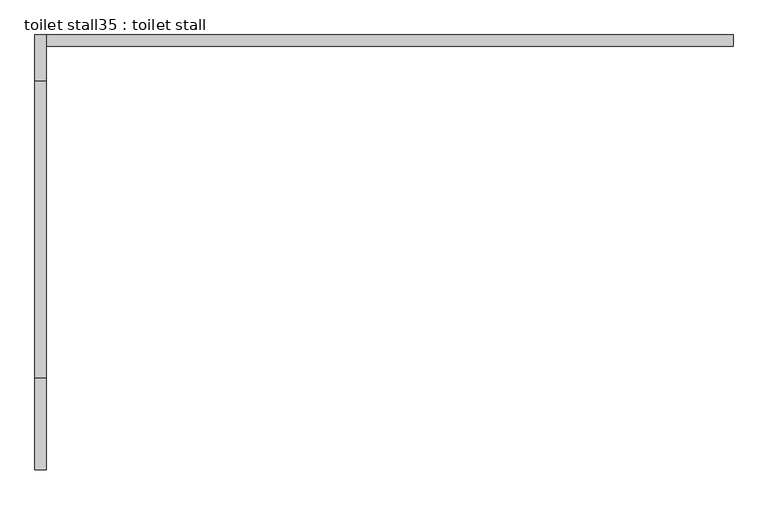
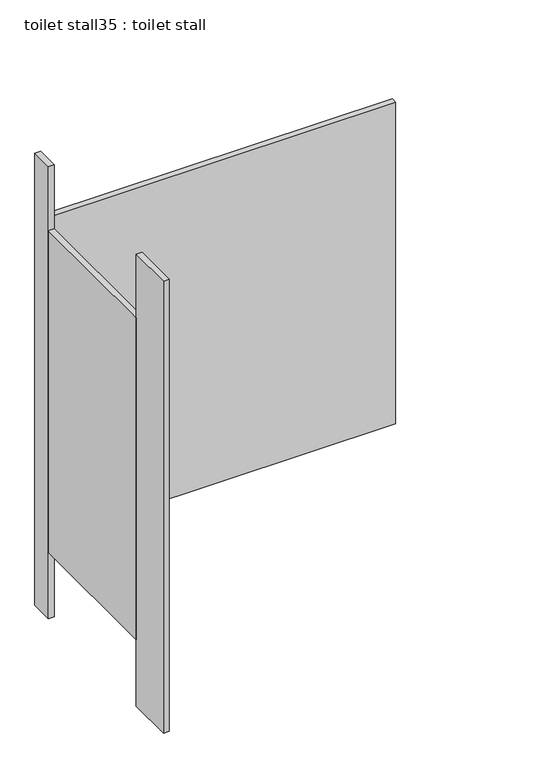
"""IFC4 building model written with IfcOpenShell, lengths in millimetres: proxy geometry, toilet stall35 : toilet stall."""

from ifc_helpers import new_model, si_unit, frame, origin, origin_with_axes, place, context, project, spatial, polyline, outline, extrude, source, transform, mapped, element, save


def toilet_stall35_toilet_stall_de1ff793(model_context):
    return source(origin(), model_context, "Body", "SweptSolid", [
        extrude(outline(polyline([(457604.6004676, -267055.4233948), (457604.6004676, -267258.6233948), (457579.2004676, -267258.6233948), (457579.2004676, -267055.4233948), (457604.6004676, -267055.4233948)])), origin_with_axes(), (0.0, 0.0, 1.0), 2070.1),
        extrude(outline(polyline([(457604.6004676, -266293.4233948), (457604.6004676, -266395.0233948), (457579.2004676, -266395.0233948), (457579.2004676, -266293.4233948), (457604.6004676, -266293.4233948)])), origin_with_axes(), (0.0, 0.0, 1.0), 2070.1),
        extrude(outline(polyline([(457604.6004676, -266293.4233948), (459128.6004676, -266293.4233948), (459128.6004676, -266318.8233948), (457604.6004676, -266318.8233948), (457604.6004676, -266293.4233948)])), frame((0.0, 0.0, 304.8), z_axis=(0.0, 0.0, 1.0), x_axis=(1.0, 0.0, 0.0)), (0.0, 0.0, 1.0), 1473.2),
        extrude(outline(polyline([(457604.6004676, -266395.0233948), (457604.6004676, -267055.4233948), (457579.2004676, -267055.4233948), (457579.2004676, -266395.0233948), (457604.6004676, -266395.0233948)])), frame((0.0, 0.0, 304.8), z_axis=(0.0, 0.0, 1.0), x_axis=(1.0, 0.0, 0.0)), (0.0, 0.0, 1.0), 1473.2),
    ])


if __name__ == "__main__":
    model = new_model("IFC4")
    model_context = context("Model", 3, world=origin())
    ifc_project = project(units=[si_unit("LENGTHUNIT", "METRE", prefix="MILLI")], contexts=[model_context])
    site = spatial("IfcSite", under=ifc_project)
    building = spatial("IfcBuilding", under=site)
    placement = place(None, origin())
    toilet_stall35_toilet_stall_shape = toilet_stall35_toilet_stall_de1ff793(model_context)
    element("IfcBuildingElementProxy", 1, Name="toilet stall35 : toilet stall", ObjectType="toilet stall35 : toilet stall", at=placement, inside=building, context=model_context, shape_type="MappedRepresentation", body=[
        mapped(toilet_stall35_toilet_stall_shape, transform((0.0, 0.0, 0.0), x_axis=(1.0, 0.0, 0.0), y_axis=(0.0, 1.0, 0.0), z_axis=(0.0, 0.0, 1.0))),
    ])
    save(model, "model.ifc")
